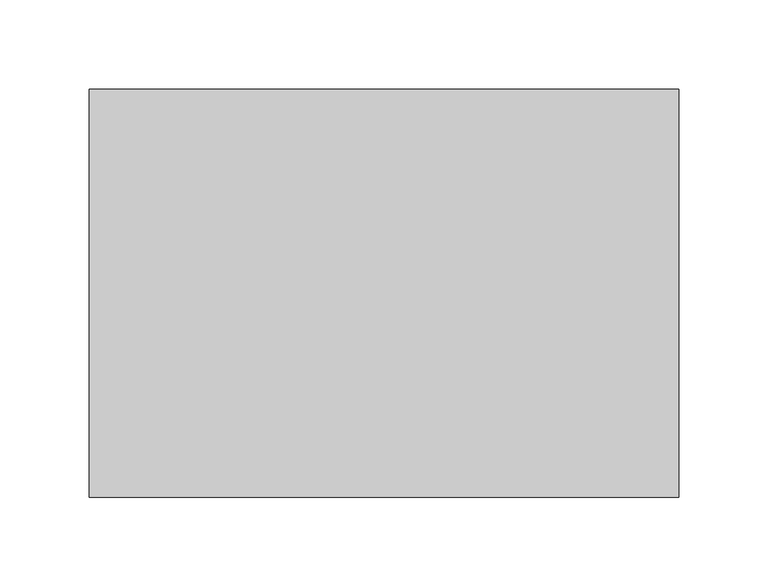
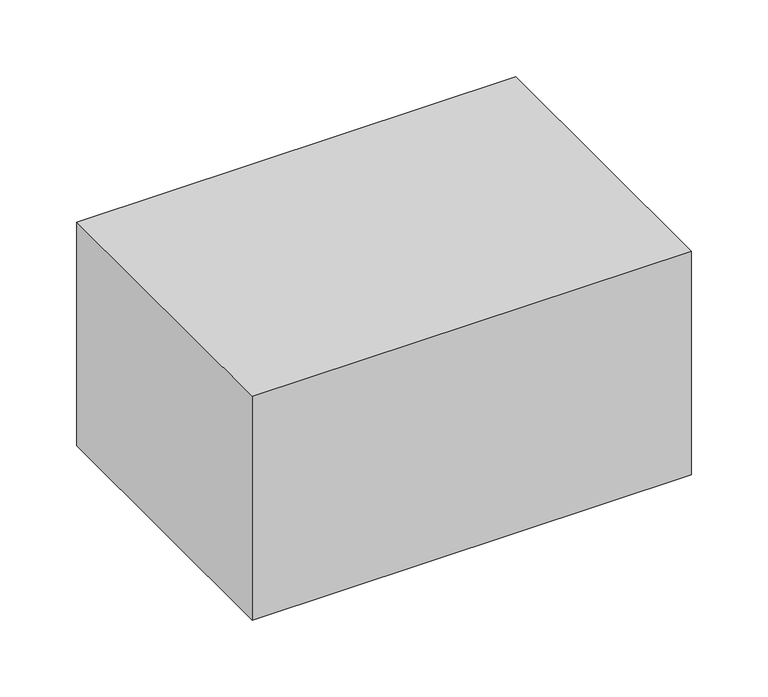
"""IFC4 building model written with IfcOpenShell, lengths in millimetres: proxy geometry."""

from ifc_helpers import new_model, si_unit, origin, origin_with_axes, place, context, project, spatial, polyline, outline, extrude, source, transform, mapped, element, save


def specialty_equipment_61bbfe70(model_context):
    return source(origin(), model_context, "Body", "SweptSolid", [
        extrude(outline(polyline([(165.1, 228.6), (165.1, 0.0), (-165.1, 0.0), (-165.1, 228.6), (165.1, 228.6)])), origin_with_axes(), (0.0, 0.0, 1.0), 177.8),
        extrude(outline(polyline([(-165.1, 228.6), (165.1, 228.6), (165.1, 0.0), (-165.1, 0.0), (-165.1, 228.6)])), origin_with_axes(), (0.0, 0.0, 1.0), 177.8),
    ])


if __name__ == "__main__":
    model = new_model("IFC4")
    model_context = context("Model", 3, world=origin())
    ifc_project = project(units=[si_unit("LENGTHUNIT", "METRE", prefix="MILLI")], contexts=[model_context])
    site = spatial("IfcSite", under=ifc_project)
    building = spatial("IfcBuilding", under=site)
    placement = place(None, origin())
    specialty_equipment_shape = specialty_equipment_61bbfe70(model_context)
    element("IfcBuildingElementProxy", 1, Name="Specialty Equipment", at=placement, inside=building, context=model_context, shape_type="MappedRepresentation", body=[
        mapped(specialty_equipment_shape, transform((0.0, 0.0, 0.0), x_axis=(1.0, 0.0, 0.0), y_axis=(0.0, 1.0, 0.0), z_axis=(0.0, 0.0, 1.0))),
    ])
    save(model, "model.ifc")
